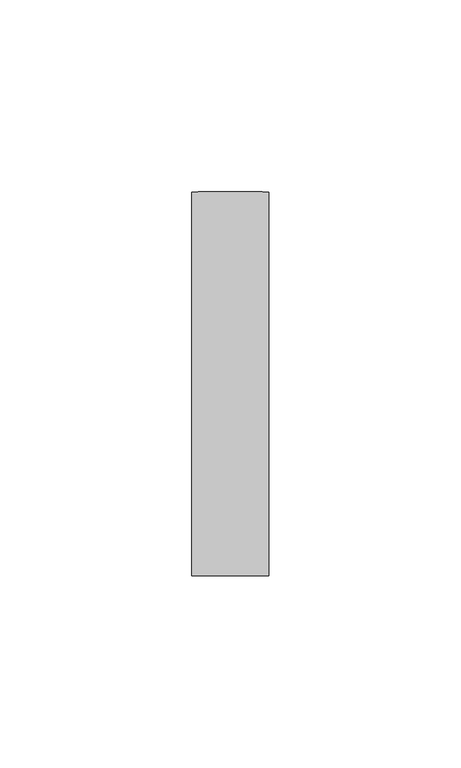
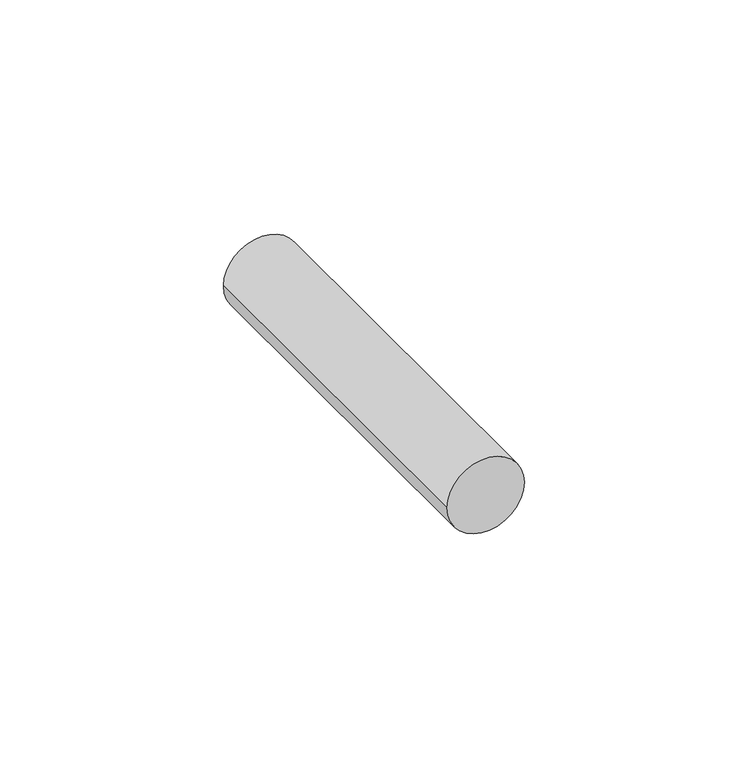
"""IFC4 building model written with IfcOpenShell, lengths in millimetres: plate geometry."""

import ifcopenshell
import ifcopenshell.guid

model = None  # the IFC model being written
_history = None  # IfcOwnerHistory: only IFC2X3 demands one
_inside = {}  # id of a spatial element -> (the spatial element, [elements in it])
_under = {}  # id of a project, library or spatial element -> (it, [spatial elements below it])
_declared = {}  # id of a project -> (the project, [libraries it declares])
_typed = {}  # id of a type object -> (the type object, [elements of that type])
_made_of = {}  # id of a material, layer set ... -> (it, [elements and type objects made of it])


def new_model(schema):
    """Start an empty IFC model of exactly this schema.

    Asked for "IFC4X3", IfcOpenShell would pick the latest addendum, in which some entities
    have other attributes; the version numbers below select the first issue.
    IFC2X3 requires an IfcOwnerHistory on every rooted entity: one is made here for all.
    """
    global model, _history
    if schema == "IFC4X3":
        model = ifcopenshell.file(schema_version=(4, 3, 0, 0))
    else:
        model = ifcopenshell.file(schema=schema)
    _inside.clear()
    _under.clear()
    _declared.clear()
    _typed.clear()
    _made_of.clear()
    _history = None
    if model.schema == "IFC2X3":
        org = make("IfcOrganization", Name="unknown")
        user = make(
            "IfcPersonAndOrganization",
            ThePerson=make("IfcPerson", FamilyName="unknown"),
            TheOrganization=org,
        )
        app = make(
            "IfcApplication",
            ApplicationDeveloper=org,
            Version="unknown",
            ApplicationFullName="unknown",
            ApplicationIdentifier="unknown",
        )
        _history = make(
            "IfcOwnerHistory",
            OwningUser=user,
            OwningApplication=app,
            ChangeAction="ADDED",
            CreationDate=0,
        )
    return model


def make(cls, **values):
    """One entity of the class cls with the attributes given. An attribute that is None is left unset."""
    return model.create_entity(
        cls, **{name: value for name, value in values.items() if value is not None}
    )


def rooted(cls, **values):
    """An entity with a GlobalId (a new one), such as an element, a storey or a relation."""
    return make(cls, GlobalId=ifcopenshell.guid.new(), OwnerHistory=_history, **values)


def si_unit(unit_type, name, prefix=None):
    """IfcSIUnit, for example si_unit("LENGTHUNIT", "METRE", prefix="MILLI")."""
    return make("IfcSIUnit", UnitType=unit_type, Prefix=prefix, Name=name)


def assignment(units):
    """IfcUnitAssignment: the units of a project."""
    return None if units is None else make("IfcUnitAssignment", Units=units)


def point(xyz):
    """IfcCartesianPoint."""
    return None if xyz is None else make("IfcCartesianPoint", Coordinates=xyz)


def direction(xyz):
    """IfcDirection."""
    return None if xyz is None else make("IfcDirection", DirectionRatios=xyz)


def frame(location, z_axis=None, x_axis=None):
    """IfcAxis2Placement3D, a coordinate frame: its origin and axes. An axis left out is left unset."""
    return make(
        "IfcAxis2Placement3D",
        Location=point(location),
        Axis=direction(z_axis),
        RefDirection=direction(x_axis),
    )


def frame_2d(location, x_axis=None):
    """IfcAxis2Placement2D, a coordinate frame in the plane: its origin and x axis."""
    return make(
        "IfcAxis2Placement2D", Location=point(location), RefDirection=direction(x_axis)
    )


def origin():
    """The frame at (0, 0, 0) with its axes left unset."""
    return frame((0.0, 0.0, 0.0))


def origin_2d():
    """The frame at (0, 0) in the plane with its x axis left unset."""
    return frame_2d((0.0, 0.0))


def place(relative_to, where):
    """IfcLocalPlacement: puts the frame where relative to a parent placement (None: the world)."""
    return make(
        "IfcLocalPlacement", PlacementRelTo=relative_to, RelativePlacement=where
    )


def context(
    kind, dimensions, precision=None, world=None, true_north=None, identifier=None
):
    """IfcGeometricRepresentationContext, for example the 3D "Model" context."""
    return make(
        "IfcGeometricRepresentationContext",
        ContextIdentifier=identifier,
        ContextType=kind,
        CoordinateSpaceDimension=dimensions,
        Precision=precision,
        WorldCoordinateSystem=world,
        TrueNorth=true_north,
    )


def project(units=None, contexts=None):
    """IfcProject with its units and contexts."""
    return rooted(
        "IfcProject",
        Name="project",
        RepresentationContexts=contexts,
        UnitsInContext=assignment(units),
    )


def spatial(cls, under=None, at=None, **own):
    """A site, building, storey or space (cls), placed at a placement, below another one or the project."""
    s = rooted(cls, ObjectPlacement=at, **own)
    if under is not None:
        _under.setdefault(under.id(), (under, []))[1].append(s)
    return s


def circle_curve(where, radius):
    """IfcCircle in the frame where."""
    return make("IfcCircle", Position=where, Radius=radius)


def trimmed(basis, trim1, trim2, sense, master):
    """IfcTrimmedCurve: the piece of a basis curve between two trims."""
    return make(
        "IfcTrimmedCurve",
        BasisCurve=basis,
        Trim1=trim1,
        Trim2=trim2,
        SenseAgreement=sense,
        MasterRepresentation=master,
    )


def segment(curve, same_sense, transition):
    """IfcCompositeCurveSegment."""
    return make(
        "IfcCompositeCurveSegment",
        Transition=transition,
        SameSense=same_sense,
        ParentCurve=curve,
    )


def composite_curve(segments, self_intersect=None):
    """IfcCompositeCurve: segments joined end to end."""
    return make("IfcCompositeCurve", Segments=segments, SelfIntersect=self_intersect)


def outline(outer, holes=None, kind="AREA"):
    """IfcArbitraryClosedProfileDef: a profile drawn as a closed curve; with holes, ...WithVoids."""
    if holes is None:
        return make("IfcArbitraryClosedProfileDef", ProfileType=kind, OuterCurve=outer)
    return make(
        "IfcArbitraryProfileDefWithVoids",
        ProfileType=kind,
        OuterCurve=outer,
        InnerCurves=holes,
    )


def extrude(swept, where, along, depth):
    """IfcExtrudedAreaSolid: the profile swept, set in the frame where, extruded along a direction by depth."""
    return make(
        "IfcExtrudedAreaSolid",
        SweptArea=swept,
        Position=where,
        ExtrudedDirection=direction(along),
        Depth=depth,
    )


def shape(context_of_items, identifier, shape_type, items):
    """IfcShapeRepresentation: the items that make up one representation, for example the "Body"."""
    return make(
        "IfcShapeRepresentation",
        ContextOfItems=context_of_items,
        RepresentationIdentifier=identifier,
        RepresentationType=shape_type,
        Items=items,
    )


def source(mapping_origin, context_of_items, identifier, shape_type, items):
    """IfcRepresentationMap: a shape defined once, which mapped items show again and again."""
    return make(
        "IfcRepresentationMap",
        MappingOrigin=mapping_origin,
        MappedRepresentation=shape(context_of_items, identifier, shape_type, items),
    )


def transform(
    local_origin,
    x_axis=None,
    y_axis=None,
    z_axis=None,
    scale=None,
    scale2=None,
    scale3=None,
    uniform=True,
):
    """IfcCartesianTransformationOperator3D, or its non-uniform kind. x_axis, y_axis, z_axis: its Axis1, 2, 3."""
    if uniform:
        return make(
            "IfcCartesianTransformationOperator3D",
            Axis1=direction(x_axis),
            Axis2=direction(y_axis),
            LocalOrigin=point(local_origin),
            Scale=scale,
            Axis3=direction(z_axis),
        )
    return make(
        "IfcCartesianTransformationOperator3DnonUniform",
        Axis1=direction(x_axis),
        Axis2=direction(y_axis),
        LocalOrigin=point(local_origin),
        Scale=scale,
        Axis3=direction(z_axis),
        Scale2=scale2,
        Scale3=scale3,
    )


def mapped(mapping_source, mapping_target):
    """IfcMappedItem: shows the shape of a source again, moved by a transform."""
    return make(
        "IfcMappedItem", MappingSource=mapping_source, MappingTarget=mapping_target
    )


def made_of(thing, what):
    """Note that an element or type object is made of a material, layer set ...; save() writes the relation."""
    if what is not None:
        _made_of.setdefault(what.id(), (what, []))[1].append(thing)
    return thing


def element(
    cls,
    number,
    at=None,
    inside=None,
    cuts=None,
    type_object=None,
    material=None,
    context=None,
    identifier="Body",
    shape_type=None,
    held_by="IfcProductDefinitionShape",
    body=None,
    shapes=None,
    **own,
):
    """One element of the class cls, such as IfcWall. Its Tag is "e" and its number.

    at: its placement. inside: the storey or other place that contains it. cuts: it is an
    opening in that element (IfcRelVoidsElement). A single representation is given by context,
    identifier, shape_type and body (its items); several are given by shapes. held_by: the class
    of the entity that holds the representations. save() writes the other relations.
    """
    e = rooted(cls, Tag="e%d" % number, ObjectPlacement=at, **own)
    if body is not None:
        shapes = [shape(context, identifier, shape_type, body)]
    if shapes is not None:
        e.Representation = make(held_by, Representations=shapes)
    if inside is not None:
        _inside.setdefault(inside.id(), (inside, []))[1].append(e)
    if cuts is not None:
        rooted(
            "IfcRelVoidsElement", RelatingBuildingElement=cuts, RelatedOpeningElement=e
        )
    if type_object is not None:
        _typed.setdefault(type_object.id(), (type_object, []))[1].append(e)
    return made_of(e, material)


def aggregate(whole, parts):
    """IfcRelAggregates: a whole, such as a stair, and the parts it consists of."""
    return rooted("IfcRelAggregates", RelatingObject=whole, RelatedObjects=parts)


def save(model, path):
    """Write the relations noted so far, then the file.

    IfcRelAggregates (storeys below a building ...), IfcRelContainedInSpatialStructure (elements
    in a storey), IfcRelDefinesByType, IfcRelAssociatesMaterial and IfcRelDeclares: one each for
    every whole, place, type object, material and project.
    """
    for whole, parts in _under.values():
        aggregate(whole, parts)
    for where, things in _inside.values():
        rooted(
            "IfcRelContainedInSpatialStructure",
            RelatedElements=things,
            RelatingStructure=where,
        )
    for kind, things in _typed.values():
        rooted("IfcRelDefinesByType", RelatedObjects=things, RelatingType=kind)
    for what, things in _made_of.values():
        rooted("IfcRelAssociatesMaterial", RelatedObjects=things, RelatingMaterial=what)
    for by, libraries in _declared.values():
        rooted("IfcRelDeclares", RelatingContext=by, RelatedDefinitions=libraries)
    model.write(path)


def plate_c446fc00(model_context):
    return source(origin(), model_context, "Body", "SweptSolid", [
        extrude(outline(composite_curve([segment(trimmed(circle_curve(origin_2d(), 10.0), [point((0.0, -10.0))], [point((0.0, 10.0))], False, "CARTESIAN"), True, "CONTINUOUS"), segment(trimmed(circle_curve(origin_2d(), 10.0), [point((0.0, 10.0))], [point((0.0, -10.0))], False, "CARTESIAN"), True, "CONTINUOUS")], self_intersect=False)), frame((0.0, -100.0, 0.0), z_axis=(0.0, 1.0, 0.0), x_axis=(0.0, 0.0, 1.0)), (0.0, 0.0, 1.0), 100.0),
    ])


if __name__ == "__main__":
    model = new_model("IFC4")
    model_context = context("Model", 3, world=origin())
    ifc_project = project(units=[si_unit("LENGTHUNIT", "METRE", prefix="MILLI")], contexts=[model_context])
    site = spatial("IfcSite", under=ifc_project)
    building = spatial("IfcBuilding", under=site)
    placement = place(None, origin())
    plate_shape = plate_c446fc00(model_context)
    element("IfcPlate", 1, at=placement, inside=building, context=model_context, shape_type="MappedRepresentation", body=[
        mapped(plate_shape, transform((0.0, 0.0, 0.0), x_axis=(1.0, 0.0, 0.0), y_axis=(0.0, 1.0, 0.0), z_axis=(0.0, 0.0, 1.0))),
    ])
    save(model, "model.ifc")
